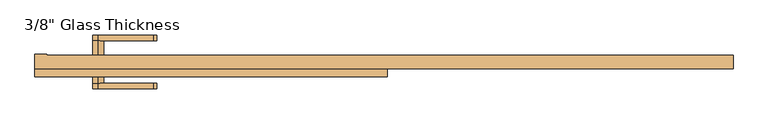
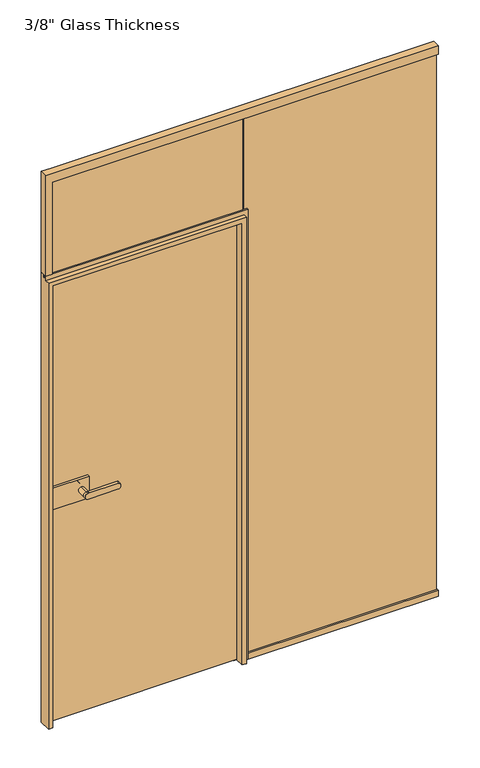
"""IFC4 building model written with IfcOpenShell, lengths in millimetres: door geometry."""

from ifc_helpers import new_model, si_unit, point, frame, frame_2d, origin, place, context, project, spatial, polyline, circle_curve, ellipse_curve, trimmed, segment, composite_curve, outline, extrude, faceted_brep, source, transform, mapped, element, save
from ifc_brep_helpers import plane_surface, cylinder_surface, extruded_surface, advanced_brep


def door_573cfd1d(model_context):
    return source(origin(), model_context, "Body", "SolidModel", [
        extrude(outline(composite_curve([segment(trimmed(circle_curve(frame_2d((940.0, -633.0)), 11.9886308), [point((951.9886308, -633.0))], [point((928.0113692, -633.0))], False, "CARTESIAN"), True, "CONTINUOUS"), segment(trimmed(circle_curve(frame_2d((940.0, -633.0)), 11.9886308), [point((928.0113692, -633.0))], [point((951.9886308, -633.0))], False, "CARTESIAN"), True, "CONTINUOUS")], self_intersect=False)), frame((0.0, 21.06, 0.0), z_axis=(0.0, 1.0, 0.0), x_axis=(0.0, 0.0, 1.0)), (0.0, 0.0, 1.0), 33.5),
        advanced_brep(
        [(-633.0, 54.56, 951.9886308), (-633.0, 54.56, 928.0113692), (-511.3382074, 54.56, 928.0113692), (-511.3382074, 54.56, 951.9886308), (-633.0, 67.06, 951.9886308), (-511.3382074, 67.06, 951.9886308), (-511.3382074, 67.06, 928.0113692), (-633.0, 67.06, 928.0113692)],
        [
            (0, 1, circle_curve(frame((-633.0, 54.56, 940.0), z_axis=(0.0, -1.0, 0.0), x_axis=(0.0, 0.0, -1.0)), 11.9886308)),
            (1, 2),
            (2, 3, ellipse_curve(frame((-511.3382074, 54.56, 940.0), z_axis=(0.0, -1.0, 0.0), x_axis=(0.0, 0.0, 1.0)), 11.9886308, 7.9050795)),
            (3, 0),
            (4, 5),
            (5, 6, ellipse_curve(frame((-511.3382074, 67.06, 940.0), z_axis=(0.0, 1.0, 0.0), x_axis=(0.0, 0.0, 1.0)), 11.9886308, 7.9050795)),
            (6, 7),
            (7, 4, circle_curve(frame((-633.0, 67.06, 940.0), z_axis=(0.0, 1.0, 0.0), x_axis=(0.0, 0.0, -1.0)), 11.9886308)),
            (3, 5),
            (4, 0),
            (2, 6),
            (1, 7),
        ],
        [
            plane_surface(frame((-511.3382074, 54.56, 951.9886308), z_axis=(0.0, -1.0, 0.0), x_axis=(1.0, 0.0, 0.0))),
            plane_surface(frame((-511.3382074, 67.06, 951.9886308), z_axis=(0.0, 1.0, 0.0), x_axis=(-1.0, 0.0, 0.0))),
            plane_surface(frame((-633.0, 54.56, 951.9886308), z_axis=(0.0, 0.0, 1.0), x_axis=(0.0, 1.0, 0.0))),
            extruded_surface(trimmed(ellipse_curve(frame((-511.3382074, 67.06, 940.0), z_axis=(0.0, 1.0, 0.0), x_axis=(0.0, 0.0, 1.0)), 11.9886308, 7.9050795), [point((-511.3382074, 67.06, 951.9886308))], [point((-511.3382074, 67.06, 928.0113692))], True, "CARTESIAN"), (0.0, 12.5, 0.0), 12.5),
            plane_surface(frame((-511.3382074, 54.56, 928.0113692), z_axis=(0.0, 0.0, -1.0), x_axis=(0.0, 1.0, 0.0))),
            cylinder_surface(frame((-633.0, 67.06, 940.0), z_axis=(0.0, -1.0, 0.0), x_axis=(0.0, 0.0, -1.0)), 11.9886308),
        ],
        [
            (0, [[1, 2, 3, 4]]),
            (1, [[5, 6, 7, 8]]),
            (2, [[9, -5, 10, -4]]),
            (3, [[11, -6, -9, -3]]),
            (4, [[12, -7, -11, -2]]),
            (5, [[-10, -8, -12, -1]]),
        ],
    ),
        extrude(outline(polyline([(-737.0, 11.06), (-737.0, 21.06), (-603.0, 21.06), (-603.0, 11.06), (-737.0, 11.06)])), frame((0.0, 0.0, 895.0), z_axis=(0.0, 0.0, 1.0), x_axis=(1.0, 0.0, 0.0)), (0.0, 0.0, 1.0), 90.0),
        extrude(outline(polyline([(-753.0, -6.94), (-753.0, 3.06), (-603.0, 3.06), (-603.0, -6.94), (-753.0, -6.94)])), frame((0.0, 0.0, 895.0), z_axis=(0.0, 0.0, 1.0), x_axis=(1.0, 0.0, 0.0)), (0.0, 0.0, 1.0), 90.0),
        advanced_brep(
        [(-633.0, -6.94, 951.9886308), (-633.0, -6.94, 928.0113692), (-633.0, -40.4398825, 951.9886308), (-633.0, -40.4398825, 928.0113692), (-633.0, -52.9399695, 951.9886308), (-633.0, -52.9399695, 928.0113692), (-511.3382074, -52.9399695, 928.0113692), (-511.3382074, -52.9399695, 951.9886308), (-511.3382074, -40.4398825, 951.9886308), (-511.3382074, -40.4398825, 928.0113692)],
        [
            (0, 1, circle_curve(frame((-633.0, -6.94, 940.0), z_axis=(0.0, 1.0, 0.0), x_axis=(0.0, 0.0, -1.0)), 11.9886308)),
            (1, 0, circle_curve(frame((-633.0, -6.94, 940.0), z_axis=(0.0, 1.0, 0.0), x_axis=(0.0, 0.0, -1.0)), 11.9886308)),
            (0, 2),
            (2, 3, circle_curve(frame((-633.0, -40.4398825, 940.0), z_axis=(0.0, 1.0, 0.0), x_axis=(0.0, 0.0, -1.0)), 11.9886308)),
            (3, 1),
            (3, 2, circle_curve(frame((-633.0, -40.4398825, 940.0), z_axis=(0.0, 1.0, 0.0), x_axis=(0.0, 0.0, -1.0)), 11.9886308)),
            (4, 5, circle_curve(frame((-633.0, -52.9399695, 940.0), z_axis=(0.0, -1.0, 0.0), x_axis=(0.0, 0.0, -1.0)), 11.9886308)),
            (5, 6),
            (6, 7, ellipse_curve(frame((-511.3382074, -52.9399695, 940.0), z_axis=(0.0, -1.0, 0.0), x_axis=(0.0, 0.0, 1.0)), 11.9886308, 7.9050795)),
            (7, 4),
            (2, 8),
            (8, 9, ellipse_curve(frame((-511.3382074, -40.4398825, 940.0), z_axis=(0.0, 1.0, 0.0), x_axis=(0.0, 0.0, 1.0)), 11.9886308, 7.9050795)),
            (9, 3),
            (7, 8),
            (2, 4),
            (6, 9),
            (5, 3),
        ],
        [
            plane_surface(frame((-633.0, -6.94, 928.0113692), z_axis=(0.0, 1.0, 0.0), x_axis=(1.0, 0.0, 0.0))),
            cylinder_surface(frame((-633.0, -6.94, 940.0), z_axis=(0.0, -1.0, 0.0), x_axis=(0.0, 0.0, -1.0)), 11.9886308),
            plane_surface(frame((-511.3382074, -52.9399695, 951.9886308), z_axis=(0.0, -1.0, 0.0), x_axis=(1.0, 0.0, 0.0))),
            plane_surface(frame((-511.3382074, -40.4398825, 951.9886308), z_axis=(0.0, 1.0, 0.0), x_axis=(-1.0, 0.0, 0.0))),
            plane_surface(frame((-633.0, -52.9399695, 951.9886308), z_axis=(0.0, 0.0, 1.0), x_axis=(0.0, 1.0, 0.0))),
            extruded_surface(trimmed(ellipse_curve(frame((-511.3382074, -40.4398825, 940.0), z_axis=(0.0, 1.0, 0.0), x_axis=(0.0, 0.0, 1.0)), 11.9886308, 7.9050795), [point((-511.3382074, -40.4398825, 951.9886308))], [point((-511.3382074, -40.4398825, 928.0113692))], True, "CARTESIAN"), (0.0, 12.500087000000004, 0.0), 12.500087000000004),
            plane_surface(frame((-511.3382074, -52.9399695, 928.0113692), z_axis=(0.0, 0.0, -1.0), x_axis=(0.0, 1.0, 0.0))),
            cylinder_surface(frame((-633.0, -40.4398825, 940.0), z_axis=(0.0, -1.0, 0.0), x_axis=(0.0, 0.0, -1.0)), 11.9886308),
        ],
        [
            (0, [[1, 2]]),
            (1, [[3, 4, 5, -1]]),
            (1, [[-5, 6, -3, -2]]),
            (2, [[7, 8, 9, 10]]),
            (3, [[-4, 11, 12, 13]]),
            (4, [[14, -11, 15, -10]]),
            (5, [[16, -12, -14, -9]]),
            (6, [[17, -13, -16, -8]]),
            (7, [[-15, -6, -17, -7]]),
        ],
    ),
        extrude(outline(polyline([(8.0, 0.0), (-760.0, 0.0), (-760.0, 10.0), (8.0, 10.0), (8.0, 0.0)])), frame((0.0, 0.0, 1867.2), z_axis=(0.0, 0.0, 1.0), x_axis=(1.0, 0.0, 0.0)), (0.0, 0.0, 1.0), 412.8),
        faceted_brep([(778.0, 22.06, 2300.0), (778.0, -7.94, 2300.0), (778.0, -7.94, 2265.0), (778.0, 0.0, 2265.0), (778.0, 0.0, 2280.0), (778.0, 10.0, 2280.0), (778.0, 10.0, 2265.0), (778.0, 22.06, 2265.0), (-748.0, 10.0, 2265.0), (-748.0, 22.06, 2265.0), (-762.0, 0.0, 2280.0), (-762.0, 10.0, 2280.0), (-748.0, -7.94, 2265.0), (-748.0, 0.0, 2265.0), (-774.0, -7.94, 1880.0), (-774.0, -7.94, 2300.0), (-774.0, 24.06, 2300.0), (-774.0, 24.06, 1880.0), (-748.0, 22.06, 2300.0), (-762.0, 10.0, 1880.0), (-748.0, 10.0, 1880.0), (-748.0, 0.0, 1880.0), (-762.0, 0.0, 1880.0), (-748.0, -7.94, 1880.0), (-748.0, 24.06, 2300.0), (-748.0, 24.06, 1880.0)], [[[0, 1, 2, 3, 4, 5, 6, 7]], [[6, 8, 9, 7]], [[10, 11, 5, 4]], [[2, 12, 13, 3]], [[14, 15, 16, 17]], [[7, 9, 18, 0]], [[5, 11, 19, 20, 8, 6]], [[3, 13, 21, 22, 10, 4]], [[1, 15, 14, 23, 12, 2]], [[0, 18, 24, 16, 15, 1]], [[14, 17, 25, 20, 19, 22, 21, 23]], [[24, 25, 17, 16]], [[25, 24, 18, 9, 8, 20]], [[11, 10, 22, 19]], [[21, 13, 12, 23]]]),
        faceted_brep([(-744.0, 22.06, 0.0), (-744.0, 11.06, 0.0), (-756.9, 11.06, 0.0), (-756.9, -25.94, 0.0), (-774.0, -25.94, 0.0), (-774.0, 22.06, 0.0), (-744.0, 22.06, 1833.0), (-744.0, 11.06, 1833.0), (-756.9, 11.06, 1845.9), (-756.9, -25.94, 1845.9), (-774.0, -25.94, 1863.0), (-774.0, -7.94, 1863.0), (-774.0, -7.94, 1880.0), (-774.0, 0.0, 1880.0), (-774.0, 0.0, 1866.0), (-774.0, 10.0, 1866.0), (-774.0, 10.0, 1880.0), (-774.0, 22.06, 1880.0), (-8.1, 11.06, 0.0), (-21.0, 11.06, 0.0), (-21.0, 22.06, 0.0), (26.0, 22.06, 0.0), (26.0, 10.0, 0.0), (12.0, 10.0, 0.0), (12.0, 0.0, 0.0), (26.0, 0.0, 0.0), (26.0, -7.94, 0.0), (9.0, -7.94, 0.0), (9.0, -25.94, 0.0), (-8.1, -25.94, 0.0), (-21.0, 11.06, 1833.0), (-21.0, 22.06, 1833.0), (26.0, 22.06, 1880.0), (26.0, 10.0, 1880.0), (12.0, 10.0, 1866.0), (12.0, 0.0, 1866.0), (26.0, 0.0, 1880.0), (26.0, -7.94, 1880.0), (9.0, -7.94, 1863.0), (9.0, -25.94, 1863.0), (-8.1, -25.94, 1845.9), (-8.1, 11.06, 1845.9)], [[[0, 1, 2, 3, 4, 5]], [[0, 6, 7, 1]], [[8, 9, 3, 2]], [[4, 10, 11, 12, 13, 14, 15, 16, 17, 5]], [[18, 19, 20, 21, 22, 23, 24, 25, 26, 27, 28, 29]], [[19, 30, 31, 20]], [[21, 32, 33, 22]], [[23, 34, 35, 24]], [[25, 36, 37, 26]], [[27, 38, 39, 28]], [[29, 40, 41, 18]], [[1, 7, 30, 19, 18, 41, 8, 2]], [[3, 9, 40, 29, 28, 39, 10, 4]], [[17, 32, 21, 20, 31, 6, 0, 5]], [[30, 7, 6, 31]], [[16, 33, 32, 17]], [[15, 34, 23, 22, 33, 16]], [[14, 35, 34, 15]], [[13, 36, 25, 24, 35, 14]], [[12, 37, 36, 13]], [[11, 38, 27, 26, 37, 12]], [[10, 39, 38, 11]], [[40, 9, 8, 41]]]),
        extrude(outline(polyline([(22.06, 0.0), (-7.94, 0.0), (-7.94, 26.0), (0.0, 26.0), (0.0, 13.0), (10.0, 13.0), (10.0, 26.0), (22.06, 26.0), (22.06, 0.0)])), frame((26.0, 0.0, 0.0), z_axis=(1.0, 0.0, 0.0), x_axis=(0.0, 1.0, 0.0)), (0.0, 0.0, 1.0), 752.0),
        extrude(outline(polyline([(774.0, 0.0), (12.0, 0.0), (12.0, 10.0), (774.0, 10.0), (774.0, 0.0)])), frame((0.0, 0.0, 13.0), z_axis=(0.0, 0.0, 1.0), x_axis=(1.0, 0.0, 0.0)), (0.0, 0.0, 1.0), 2267.0),
        extrude(outline(polyline([(-13.0, 3.06), (-753.0, 3.06), (-753.0, 11.06), (-13.0, 11.06), (-13.0, 3.06)])), frame((0.0, 0.0, 7.0), z_axis=(0.0, 0.0, 1.0), x_axis=(1.0, 0.0, 0.0)), (0.0, 0.0, 1.0), 1835.0),
    ])


if __name__ == "__main__":
    model = new_model("IFC4")
    model_context = context("Model", 3, world=origin())
    ifc_project = project(units=[si_unit("LENGTHUNIT", "METRE", prefix="MILLI")], contexts=[model_context])
    site = spatial("IfcSite", under=ifc_project)
    building = spatial("IfcBuilding", under=site)
    placement = place(None, origin())
    door_shape = door_573cfd1d(model_context)
    element("IfcDoor", 1, ObjectType="3/8\" Glass Thickness", at=placement, inside=building, context=model_context, shape_type="MappedRepresentation", body=[
        mapped(door_shape, transform((0.0, 0.0, 0.0), x_axis=(1.0, 0.0, 0.0), y_axis=(0.0, 1.0, 0.0), z_axis=(0.0, 0.0, 1.0))),
    ])
    save(model, "model.ifc")
